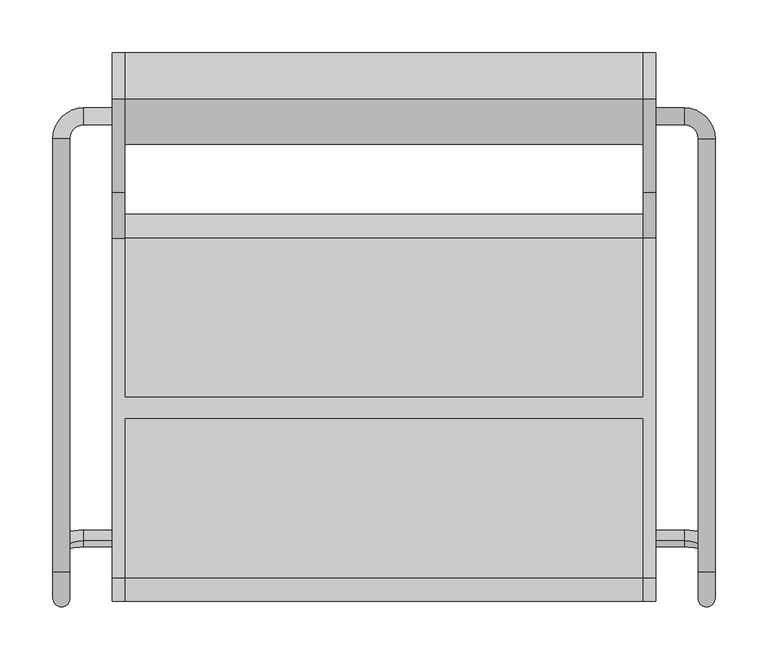
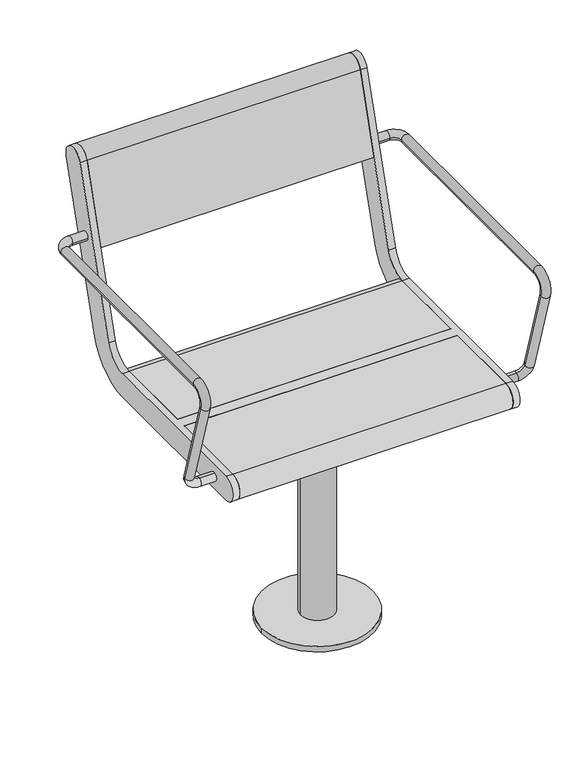
"""IFC4 building model written with IfcOpenShell, lengths in millimetres: furniture geometry."""

from ifc_helpers import new_model, si_unit, point, frame, frame_2d, origin, origin_with_axes, origin_2d, place, context, project, spatial, polyline, circle_curve, ellipse_curve, trimmed, segment, composite_curve, outline, extrude, source, transform, mapped, element, save
from ifc_brep_helpers import plane_surface, cylinder_surface, revolved_surface, advanced_brep


def furniture_26d58b1b(model_context):
    return source(origin(), model_context, "Body", "SolidModel", [
        advanced_brep(
        [(257.0, 267.0, 641.5), (257.0, 283.0, 641.5), (284.0, 267.0, 641.5), (284.0, 283.0, 641.5), (297.0, 254.0, 641.5), (313.0, 254.0, 641.5), (297.0, -155.6408049, 641.5), (313.0, -155.6408049, 641.5), (313.0, -179.5484238, 609.1907074), (297.0, -179.5484238, 609.1907074), (313.0, -130.1398058, 447.5823999), (297.0, -130.1398058, 447.5823999), (257.0, -126.3389736, 435.150438), (257.0, -121.6610264, 419.849562), (284.0, -121.6610264, 419.849562), (284.0, -126.3389736, 435.150438)],
        [
            (0, 1, circle_curve(frame((257.0, 275.0, 641.5), z_axis=(-1.0, 0.0, 0.0), x_axis=(0.0, 1.0, 0.0)), 8.0)),
            (1, 0, circle_curve(frame((257.0, 275.0, 641.5), z_axis=(-1.0, 0.0, 0.0), x_axis=(0.0, 1.0, 0.0)), 8.0)),
            (0, 2),
            (2, 3, circle_curve(frame((284.0, 275.0, 641.5), z_axis=(-1.0, 0.0, 0.0), x_axis=(0.0, 1.0, 0.0)), 8.0)),
            (3, 1),
            (3, 2, circle_curve(frame((284.0, 275.0, 641.5), z_axis=(-1.0, 0.0, 0.0), x_axis=(0.0, 1.0, 0.0)), 8.0)),
            (2, 4, circle_curve(frame((284.0, 254.0, 641.5), z_axis=(0.0, 0.0, -1.0), x_axis=(0.0, 1.0, 0.0)), 13.0)),
            (4, 5, circle_curve(frame((305.0, 254.0, 641.5), z_axis=(0.0, 1.0, 0.0), x_axis=(1.0, 0.0, 0.0)), 8.0)),
            (5, 3, circle_curve(frame((284.0, 254.0, 641.5), z_axis=(0.0, 0.0, 1.0), x_axis=(0.0, 1.0, 0.0)), 29.0)),
            (5, 4, circle_curve(frame((305.0, 254.0, 641.5), z_axis=(0.0, 1.0, 0.0), x_axis=(1.0, 0.0, 0.0)), 8.0)),
            (4, 6),
            (6, 7, circle_curve(frame((305.0, -155.6408049, 641.5), z_axis=(0.0, 1.0, 0.0), x_axis=(1.0, 0.0, 0.0)), 8.0)),
            (7, 5),
            (7, 6, circle_curve(frame((305.0, -155.6408049, 641.5), z_axis=(0.0, 1.0, 0.0), x_axis=(1.0, 0.0, 0.0)), 8.0)),
            (7, 8, circle_curve(frame((313.0, -155.6408049, 616.5), z_axis=(1.0, 0.0, 0.0), x_axis=(0.0, 0.0, 1.0)), 25.0)),
            (8, 9, circle_curve(frame((305.0, -179.5484238, 609.1907074), z_axis=(0.0, -0.2923717047227469, 0.9563047559630324), x_axis=(1.0, 0.0, 0.0)), 8.0)),
            (9, 6, circle_curve(frame((297.0, -155.6408049, 616.5), z_axis=(-1.0, 0.0, 0.0), x_axis=(0.0, 0.0, 1.0)), 25.0)),
            (9, 8, circle_curve(frame((305.0, -179.5484238, 609.1907074), z_axis=(0.0, -0.2923717047227456, 0.9563047559630328), x_axis=(1.0, 0.0, 0.0)), 8.0)),
            (8, 10),
            (10, 11, circle_curve(frame((305.0, -130.1398058, 447.5823999), z_axis=(0.0, -0.2923717047227381, 0.9563047559630351), x_axis=(1.0, 0.0, 0.0)), 8.0)),
            (11, 9),
            (11, 10, circle_curve(frame((305.0, -130.1398058, 447.5823999), z_axis=(0.0, -0.2923717047227381, 0.9563047559630351), x_axis=(1.0, 0.0, 0.0)), 8.0)),
            (12, 13, circle_curve(frame((257.0, -124.0, 427.5), z_axis=(-1.0, 0.0, 0.0), x_axis=(0.0, 0.2923717047227402, -0.9563047559630344)), 8.0)),
            (13, 12, circle_curve(frame((257.0, -124.0, 427.5), z_axis=(-1.0, 0.0, 0.0), x_axis=(0.0, 0.2923717047227402, -0.9563047559630344)), 8.0)),
            (13, 14),
            (14, 15, circle_curve(frame((284.0, -124.0, 427.5), z_axis=(-1.0, 0.0, 0.0), x_axis=(0.0, 0.2923717047227402, -0.9563047559630344)), 8.0)),
            (15, 12),
            (15, 14, circle_curve(frame((284.0, -124.0, 427.5), z_axis=(-1.0, 0.0, 0.0), x_axis=(0.0, 0.2923717047227402, -0.9563047559630344)), 8.0)),
            (14, 10, circle_curve(frame((284.0, -130.1398058, 447.5823999), z_axis=(0.0, -0.9563047559630344, -0.29237170472274027), x_axis=(0.0, 0.29237170472274027, -0.9563047559630344)), 29.0)),
            (11, 15, circle_curve(frame((284.0, -130.1398058, 447.5823999), z_axis=(0.0, 0.9563047559630344, 0.29237170472274027), x_axis=(0.0, 0.29237170472274027, -0.9563047559630344)), 13.0)),
        ],
        [
            plane_surface(frame((257.0, 275.0, 405.0), z_axis=(-1.0, 0.0, 0.0), x_axis=(0.0, 0.0, 1.0))),
            cylinder_surface(frame((257.0, 275.0, 641.5), z_axis=(-1.0, 0.0, 0.0), x_axis=(0.0, 1.0, 0.0)), 8.0),
            revolved_surface(trimmed(ellipse_curve(frame((284.0, 275.0, 641.5), z_axis=(-1.0, 0.0, 0.0), x_axis=(0.0, 1.0, 0.0)), 8.0, 8.0), [point((284.0, 267.0, 641.5))], [point((284.0, 283.0, 641.5))], True, "CARTESIAN"), (284.0, 254.0, 405.0), (0.0, 0.0, -1.0)),
            revolved_surface(trimmed(ellipse_curve(frame((284.0, 275.0, 641.5), z_axis=(-1.0, 0.0, 0.0), x_axis=(0.0, 1.0, 0.0)), 8.0, 8.0), [point((284.0, 283.0, 641.5))], [point((284.0, 267.0, 641.5))], True, "CARTESIAN"), (284.0, 254.0, 405.0), (0.0, 0.0, -1.0)),
            cylinder_surface(frame((305.0, 254.0, 641.5), z_axis=(0.0, 1.0, 0.0), x_axis=(1.0, 0.0, 0.0)), 8.0),
            revolved_surface(trimmed(ellipse_curve(frame((305.0, -155.6408049, 641.5), z_axis=(0.0, 1.0, 0.0), x_axis=(1.0, 0.0, 0.0)), 8.0, 8.0), [point((313.0, -155.6408049, 641.5))], [point((297.0, -155.6408049, 641.5))], True, "CARTESIAN"), (0.0, -155.6408049, 616.5), (1.0, 0.0, 0.0)),
            revolved_surface(trimmed(ellipse_curve(frame((305.0, -155.6408049, 641.5), z_axis=(0.0, 1.0, 0.0), x_axis=(1.0, 0.0, 0.0)), 8.0, 8.0), [point((297.0, -155.6408049, 641.5))], [point((313.0, -155.6408049, 641.5))], True, "CARTESIAN"), (0.0, -155.6408049, 616.5), (1.0, 0.0, 0.0)),
            cylinder_surface(frame((305.0, -179.5484238, 609.1907074), z_axis=(0.0, -0.2923717047227381, 0.9563047559630351), x_axis=(1.0, 0.0, 0.0)), 8.0),
            plane_surface(frame((257.0, 489.469501, 615.0564486), z_axis=(-1.0, 0.0, 0.0), x_axis=(0.0, -0.9563047559630344, -0.29237170472274027))),
            cylinder_surface(frame((257.0, -124.0, 427.5), z_axis=(-1.0, 0.0, 0.0), x_axis=(0.0, 0.2923717047227402, -0.9563047559630344)), 8.0),
            revolved_surface(trimmed(ellipse_curve(frame((284.0, -124.0, 427.5), z_axis=(-1.0, 0.0, 0.0), x_axis=(0.0, 0.2923717047227402, -0.9563047559630344)), 8.0, 8.0), [point((284.0, -121.6610264, 419.849562))], [point((284.0, -126.3389736, 435.150438))], True, "CARTESIAN"), (284.0, 483.3296952, 635.1388485), (0.0, -0.9563047559630344, -0.29237170472274027)),
            revolved_surface(trimmed(ellipse_curve(frame((284.0, -124.0, 427.5), z_axis=(-1.0, 0.0, 0.0), x_axis=(0.0, 0.2923717047227402, -0.9563047559630344)), 8.0, 8.0), [point((284.0, -126.3389736, 435.150438))], [point((284.0, -121.6610264, 419.849562))], True, "CARTESIAN"), (284.0, 483.3296952, 635.1388485), (0.0, -0.9563047559630344, -0.29237170472274027)),
        ],
        [
            (0, [[1, 2]]),
            (1, [[-1, 3, 4, 5]]),
            (1, [[-2, -5, 6, -3]]),
            (2, [[-4, 7, 8, 9]]),
            (3, [[-6, -9, 10, -7]]),
            (4, [[11, 12, 13, -8]]),
            (4, [[-11, -10, -13, 14]]),
            (5, [[-14, 15, 16, 17]]),
            (6, [[-12, -17, 18, -15]]),
            (7, [[-16, 19, 20, 21]]),
            (7, [[-18, -21, 22, -19]]),
            (8, [[23, 24]]),
            (9, [[-24, 25, 26, 27]]),
            (9, [[-23, -27, 28, -25]]),
            (10, [[-26, 29, -22, 30]]),
            (11, [[-28, -30, -20, -29]]),
        ],
    ),
        advanced_brep(
        [(-313.0, 254.0, 641.5), (-313.0, -155.6408049, 641.5), (-297.0, -155.6408049, 641.5), (-297.0, 254.0, 641.5), (-257.0, 267.0, 641.5), (-257.0, 283.0, 641.5), (-284.0, 283.0, 641.5), (-284.0, 267.0, 641.5), (-297.0, -179.5484238, 609.1907074), (-313.0, -179.5484238, 609.1907074), (-297.0, -130.1398058, 447.5823999), (-313.0, -130.1398058, 447.5823999), (-257.0, -126.3389736, 435.150438), (-257.0, -121.6610264, 419.849562), (-284.0, -126.3389736, 435.150438), (-284.0, -121.6610264, 419.849562)],
        [
            (0, 1),
            (1, 2, circle_curve(frame((-305.0, -155.6408049, 641.5), z_axis=(0.0, 1.0, 0.0), x_axis=(-1.0, 0.0, 0.0)), 8.0)),
            (2, 3),
            (3, 0, circle_curve(frame((-305.0, 254.0, 641.5), z_axis=(0.0, -1.0, 0.0), x_axis=(-1.0, 0.0, 0.0)), 8.0)),
            (0, 3, circle_curve(frame((-305.0, 254.0, 641.5), z_axis=(0.0, -1.0, 0.0), x_axis=(-1.0, 0.0, 0.0)), 8.0)),
            (2, 1, circle_curve(frame((-305.0, -155.6408049, 641.5), z_axis=(0.0, 1.0, 0.0), x_axis=(-1.0, 0.0, 0.0)), 8.0)),
            (4, 5, circle_curve(frame((-257.0, 275.0, 641.5), z_axis=(1.0, 0.0, 0.0), x_axis=(0.0, 1.0, 0.0)), 8.0)),
            (5, 4, circle_curve(frame((-257.0, 275.0, 641.5), z_axis=(1.0, 0.0, 0.0), x_axis=(0.0, 1.0, 0.0)), 8.0)),
            (5, 6),
            (6, 7, circle_curve(frame((-284.0, 275.0, 641.5), z_axis=(1.0, 0.0, 0.0), x_axis=(0.0, 1.0, 0.0)), 8.0)),
            (7, 4),
            (7, 6, circle_curve(frame((-284.0, 275.0, 641.5), z_axis=(1.0, 0.0, 0.0), x_axis=(0.0, 1.0, 0.0)), 8.0)),
            (6, 0, circle_curve(frame((-284.0, 254.0, 641.5), z_axis=(0.0, 0.0, 1.0), x_axis=(0.0, 1.0, 0.0)), 29.0)),
            (3, 7, circle_curve(frame((-284.0, 254.0, 641.5), z_axis=(0.0, 0.0, -1.0), x_axis=(0.0, 1.0, 0.0)), 13.0)),
            (2, 8, circle_curve(frame((-297.0, -155.6408049, 616.5), z_axis=(1.0, 0.0, 0.0), x_axis=(0.0, 0.0, 1.0)), 25.0)),
            (8, 9, circle_curve(frame((-305.0, -179.5484238, 609.1907074), z_axis=(0.0, -0.29237170472274643, 0.9563047559630325), x_axis=(-1.0, 0.0, 0.0)), 8.0)),
            (9, 1, circle_curve(frame((-313.0, -155.6408049, 616.5), z_axis=(-1.0, 0.0, 0.0), x_axis=(0.0, 0.0, 1.0)), 25.0)),
            (9, 8, circle_curve(frame((-305.0, -179.5484238, 609.1907074), z_axis=(0.0, -0.29237170472274643, 0.9563047559630325), x_axis=(-1.0, 0.0, 0.0)), 8.0)),
            (8, 10),
            (10, 11, circle_curve(frame((-305.0, -130.1398058, 447.5823999), z_axis=(0.0, -0.2923717047227381, 0.9563047559630351), x_axis=(-1.0, 0.0, 0.0)), 8.0)),
            (11, 9),
            (11, 10, circle_curve(frame((-305.0, -130.1398058, 447.5823999), z_axis=(0.0, -0.2923717047227381, 0.9563047559630351), x_axis=(-1.0, 0.0, 0.0)), 8.0)),
            (12, 13, circle_curve(frame((-257.0, -124.0, 427.5), z_axis=(1.0, 0.0, 0.0), x_axis=(0.0, 0.2923717047227402, -0.9563047559630344)), 8.0)),
            (13, 12, circle_curve(frame((-257.0, -124.0, 427.5), z_axis=(1.0, 0.0, 0.0), x_axis=(0.0, 0.2923717047227402, -0.9563047559630344)), 8.0)),
            (12, 14),
            (14, 15, circle_curve(frame((-284.0, -124.0, 427.5), z_axis=(1.0, 0.0, 0.0), x_axis=(0.0, 0.2923717047227402, -0.9563047559630344)), 8.0)),
            (15, 13),
            (15, 14, circle_curve(frame((-284.0, -124.0, 427.5), z_axis=(1.0, 0.0, 0.0), x_axis=(0.0, 0.2923717047227402, -0.9563047559630344)), 8.0)),
            (14, 10, circle_curve(frame((-284.0, -130.1398058, 447.5823999), z_axis=(0.0, 0.9563047559630344, 0.29237170472274027), x_axis=(0.0, 0.29237170472274027, -0.9563047559630344)), 13.0)),
            (11, 15, circle_curve(frame((-284.0, -130.1398058, 447.5823999), z_axis=(0.0, -0.9563047559630344, -0.29237170472274027), x_axis=(0.0, 0.29237170472274027, -0.9563047559630344)), 29.0)),
        ],
        [
            cylinder_surface(frame((-305.0, 254.0, 641.5), z_axis=(0.0, 1.0, 0.0), x_axis=(-1.0, 0.0, 0.0)), 8.0),
            plane_surface(frame((-257.0, 275.0, 405.0), z_axis=(1.0, 0.0, 0.0), x_axis=(0.0, 0.0, 1.0))),
            cylinder_surface(frame((-257.0, 275.0, 641.5), z_axis=(1.0, 0.0, 0.0), x_axis=(0.0, 1.0, 0.0)), 8.0),
            revolved_surface(trimmed(ellipse_curve(frame((-284.0, 275.0, 641.5), z_axis=(1.0, 0.0, 0.0), x_axis=(0.0, 1.0, 0.0)), 8.0, 8.0), [point((-284.0, 283.0, 641.5))], [point((-284.0, 267.0, 641.5))], True, "CARTESIAN"), (-284.0, 254.0, 405.0), (0.0, 0.0, 1.0)),
            revolved_surface(trimmed(ellipse_curve(frame((-284.0, 275.0, 641.5), z_axis=(1.0, 0.0, 0.0), x_axis=(0.0, 1.0, 0.0)), 8.0, 8.0), [point((-284.0, 267.0, 641.5))], [point((-284.0, 283.0, 641.5))], True, "CARTESIAN"), (-284.0, 254.0, 405.0), (0.0, 0.0, 1.0)),
            revolved_surface(trimmed(ellipse_curve(frame((-305.0, -155.6408049, 641.5), z_axis=(0.0, 1.0, 0.0), x_axis=(-1.0, 0.0, 0.0)), 8.0, 8.0), [point((-297.0, -155.6408049, 641.5))], [point((-313.0, -155.6408049, 641.5))], True, "CARTESIAN"), (0.0, -155.6408049, 616.5), (1.0, 0.0, 0.0)),
            revolved_surface(trimmed(ellipse_curve(frame((-305.0, -155.6408049, 641.5), z_axis=(0.0, 1.0, 0.0), x_axis=(-1.0, 0.0, 0.0)), 8.0, 8.0), [point((-313.0, -155.6408049, 641.5))], [point((-297.0, -155.6408049, 641.5))], True, "CARTESIAN"), (0.0, -155.6408049, 616.5), (1.0, 0.0, 0.0)),
            cylinder_surface(frame((-305.0, -179.5484238, 609.1907074), z_axis=(0.0, -0.2923717047227381, 0.9563047559630351), x_axis=(-1.0, 0.0, 0.0)), 8.0),
            plane_surface(frame((-257.0, 489.469501, 615.0564486), z_axis=(1.0, 0.0, 0.0), x_axis=(0.0, -0.9563047559630344, -0.29237170472274027))),
            cylinder_surface(frame((-257.0, -124.0, 427.5), z_axis=(1.0, 0.0, 0.0), x_axis=(0.0, 0.2923717047227402, -0.9563047559630344)), 8.0),
            revolved_surface(trimmed(ellipse_curve(frame((-284.0, -124.0, 427.5), z_axis=(1.0, 0.0, 0.0), x_axis=(0.0, 0.2923717047227402, -0.9563047559630344)), 8.0, 8.0), [point((-284.0, -126.3389736, 435.150438))], [point((-284.0, -121.6610264, 419.849562))], True, "CARTESIAN"), (-284.0, 483.3296952, 635.1388485), (0.0, 0.9563047559630344, 0.29237170472274027)),
            revolved_surface(trimmed(ellipse_curve(frame((-284.0, -124.0, 427.5), z_axis=(1.0, 0.0, 0.0), x_axis=(0.0, 0.2923717047227402, -0.9563047559630344)), 8.0, 8.0), [point((-284.0, -121.6610264, 419.849562))], [point((-284.0, -126.3389736, 435.150438))], True, "CARTESIAN"), (-284.0, 483.3296952, 635.1388485), (0.0, 0.9563047559630344, 0.29237170472274027)),
        ],
        [
            (0, [[1, 2, 3, 4]]),
            (0, [[-1, 5, -3, 6]]),
            (1, [[7, 8]]),
            (2, [[-8, 9, 10, 11]]),
            (2, [[-7, -11, 12, -9]]),
            (3, [[-10, 13, -4, 14]]),
            (4, [[-12, -14, -5, -13]]),
            (5, [[-6, 15, 16, 17]]),
            (6, [[-2, -17, 18, -15]]),
            (7, [[-16, 19, 20, 21]]),
            (7, [[-18, -21, 22, -19]]),
            (8, [[23, 24]]),
            (9, [[-23, 25, 26, 27]]),
            (9, [[-24, -27, 28, -25]]),
            (10, [[-26, 29, -22, 30]]),
            (11, [[-28, -30, -20, -29]]),
        ],
    ),
        advanced_brep(
        [(-245.0, 291.0375971, 769.6910048), (-245.0, 203.033714, 481.8432733), (-245.0, 160.0, 450.0), (-245.0, 9.5, 450.0), (-245.0, 9.5, 405.0), (-245.0, 160.0, 405.0), (-245.0, 246.067428, 468.6865466), (-245.0, 334.0713112, 756.5342781), (-245.0, -161.0, 450.0), (-245.0, -161.0, 405.0), (-245.0, -10.5, 405.0), (-245.0, -10.5, 450.0), (-257.0, 291.0375971, 769.6910048), (-257.0, 334.0713112, 756.5342781), (-257.0, 246.067428, 468.6865466), (-257.0, 160.0, 405.0), (-257.0, -161.0, 405.0), (-257.0, -161.0, 450.0), (-257.0, 160.0, 450.0), (-257.0, 203.033714, 481.8432733), (245.0, -10.5, 450.0), (245.0, -161.0, 450.0), (257.0, -161.0, 450.0), (257.0, 160.0, 450.0), (245.0, 160.0, 450.0), (245.0, 9.5, 450.0), (245.0, 9.5, 405.0), (245.0, 160.0, 405.0), (257.0, 160.0, 405.0), (257.0, -161.0, 405.0), (245.0, -161.0, 405.0), (245.0, -10.5, 405.0), (257.0, 291.0375971, 769.6910048), (257.0, 203.033714, 481.8432733), (257.0, 246.067428, 468.6865466), (257.0, 334.0713112, 756.5342781), (245.0, 291.0375971, 769.6910048), (245.0, 334.0713112, 756.5342781), (245.0, 246.067428, 468.6865466), (245.0, 203.033714, 481.8432733)],
        [
            (0, 1),
            (1, 2, circle_curve(frame((-245.0, 160.0, 495.0), z_axis=(-1.0, 0.0, 0.0), x_axis=(0.0, -1.0, 0.0)), 45.0)),
            (2, 3),
            (3, 4),
            (4, 5),
            (5, 6, circle_curve(frame((-245.0, 160.0, 495.0), z_axis=(1.0, 0.0, 0.0), x_axis=(0.0, -1.0, 0.0)), 90.0)),
            (6, 7),
            (7, 0, circle_curve(frame((-245.0, 312.5544541, 763.1126415), z_axis=(1.0, 0.0, 0.0), x_axis=(0.0, -1.0, 0.0)), 22.5)),
            (8, 9, circle_curve(frame((-245.0, -161.0, 427.5), z_axis=(1.0, 0.0, 0.0), x_axis=(0.0, -1.0, 0.0)), 22.5)),
            (9, 10),
            (10, 11),
            (11, 8),
            (12, 13, circle_curve(frame((-257.0, 312.5544541, 763.1126415), z_axis=(-1.0, 0.0, 0.0), x_axis=(0.0, -1.0, 0.0)), 22.5)),
            (13, 14),
            (14, 15, circle_curve(frame((-257.0, 160.0, 495.0), z_axis=(-1.0, 0.0, 0.0), x_axis=(0.0, -1.0, 0.0)), 90.0)),
            (15, 16),
            (16, 17, circle_curve(frame((-257.0, -161.0, 427.5), z_axis=(-1.0, 0.0, 0.0), x_axis=(0.0, -1.0, 0.0)), 22.5)),
            (17, 18),
            (18, 19, circle_curve(frame((-257.0, 160.0, 495.0), z_axis=(1.0, 0.0, 0.0), x_axis=(0.0, -1.0, 0.0)), 45.0)),
            (19, 12),
            (0, 12),
            (19, 1),
            (18, 2),
            (17, 8),
            (11, 20),
            (20, 21),
            (21, 22),
            (22, 23),
            (23, 24),
            (24, 25),
            (25, 3),
            (15, 5),
            (4, 26),
            (26, 27),
            (27, 28),
            (28, 29),
            (29, 30),
            (30, 31),
            (31, 10),
            (9, 16),
            (14, 6),
            (13, 7),
            (31, 20),
            (25, 26),
            (32, 33),
            (33, 23, circle_curve(frame((257.0, 160.0, 495.0), z_axis=(-1.0, 0.0, 0.0), x_axis=(0.0, -1.0, 0.0)), 45.0)),
            (22, 29, circle_curve(frame((257.0, -161.0, 427.5), z_axis=(1.0, 0.0, 0.0), x_axis=(0.0, -1.0, 0.0)), 22.5)),
            (28, 34, circle_curve(frame((257.0, 160.0, 495.0), z_axis=(1.0, 0.0, 0.0), x_axis=(0.0, -1.0, 0.0)), 90.0)),
            (34, 35),
            (35, 32, circle_curve(frame((257.0, 312.5544541, 763.1126415), z_axis=(1.0, 0.0, 0.0), x_axis=(0.0, -1.0, 0.0)), 22.5)),
            (36, 37, circle_curve(frame((245.0, 312.5544541, 763.1126415), z_axis=(-1.0, 0.0, 0.0), x_axis=(0.0, -1.0, 0.0)), 22.5)),
            (37, 38),
            (38, 27, circle_curve(frame((245.0, 160.0, 495.0), z_axis=(-1.0, 0.0, 0.0), x_axis=(0.0, -1.0, 0.0)), 90.0)),
            (24, 39, circle_curve(frame((245.0, 160.0, 495.0), z_axis=(1.0, 0.0, 0.0), x_axis=(0.0, -1.0, 0.0)), 45.0)),
            (39, 36),
            (30, 21, circle_curve(frame((245.0, -161.0, 427.5), z_axis=(-1.0, 0.0, 0.0), x_axis=(0.0, -1.0, 0.0)), 22.5)),
            (32, 36),
            (39, 33),
            (38, 34),
            (37, 35),
        ],
        [
            plane_surface(frame((-245.0, 203.033714, 481.8432733), z_axis=(1.0000000000000002, 0.0, 0.0), x_axis=(0.0, -0.29237170472273394, -0.9563047559630364))),
            plane_surface(frame((-257.0, 203.033714, 481.8432733), z_axis=(-1.0000000000000002, 0.0, 0.0), x_axis=(0.0, 0.29237170472273394, 0.9563047559630364))),
            plane_surface(frame((-245.0, 291.0375971, 769.6910048), z_axis=(0.0, -0.9563047559630364, 0.29237170472273394), x_axis=(-1.0, 0.0, 0.0))),
            revolved_surface(polyline([(-257.0, 115.0, 495.0), (-245.0, 115.0, 495.0)]), (-257.0, 160.0, 495.0), (-1.0, 0.0, 0.0)),
            plane_surface(frame((-245.0, 160.0, 450.0), z_axis=(0.0, 0.0, 1.0), x_axis=(-1.0, 0.0, 0.0))),
            plane_surface(frame((-245.0, -161.0, 405.0), z_axis=(0.0, 0.0, -1.0), x_axis=(-1.0, 0.0, 0.0))),
            cylinder_surface(frame((-257.0, 160.0, 495.0), z_axis=(1.0, 0.0, 0.0), x_axis=(0.0, -1.0, 0.0)), 90.0),
            plane_surface(frame((-245.0, 246.067428, 468.6865466), z_axis=(0.0, 0.9563047559630364, -0.29237170472273366), x_axis=(-1.0, 0.0, 0.0))),
            cylinder_surface(frame((-257.0, 312.5544541, 763.1126415), z_axis=(1.0, 0.0, 0.0), x_axis=(0.0, -1.0, 0.0)), 22.5),
            cylinder_surface(frame((-257.0, -161.0, 427.5), z_axis=(1.0, 0.0, 0.0), x_axis=(0.0, -1.0, 0.0)), 22.5),
            plane_surface(frame((245.0, -10.5, 450.0), z_axis=(0.0, -1.0, 0.0), x_axis=(-1.0, 0.0, 0.0))),
            plane_surface(frame((245.0, 9.5, 405.0), z_axis=(0.0, 1.0, 0.0), x_axis=(-1.0, 0.0, 0.0))),
            plane_surface(frame((257.0, 203.033714, 481.8432733), z_axis=(1.0000000000000002, 0.0, 0.0), x_axis=(0.0, -0.29237170472273394, -0.9563047559630364))),
            plane_surface(frame((245.0, 203.033714, 481.8432733), z_axis=(-1.0000000000000002, 0.0, 0.0), x_axis=(0.0, 0.29237170472273394, 0.9563047559630364))),
            plane_surface(frame((257.0, 291.0375971, 769.6910048), z_axis=(0.0, -0.9563047559630364, 0.29237170472273394), x_axis=(-1.0, 0.0, 0.0))),
            revolved_surface(polyline([(245.0, 115.0, 495.0), (257.0, 115.0, 495.0)]), (245.0, 160.0, 495.0), (-1.0, 0.0, 0.0)),
            cylinder_surface(frame((245.0, 160.0, 495.0), z_axis=(1.0, 0.0, 0.0), x_axis=(0.0, -1.0, 0.0)), 90.0),
            plane_surface(frame((257.0, 246.067428, 468.6865466), z_axis=(0.0, 0.9563047559630364, -0.29237170472273366), x_axis=(-1.0, 0.0, 0.0))),
            cylinder_surface(frame((245.0, 312.5544541, 763.1126415), z_axis=(1.0, 0.0, 0.0), x_axis=(0.0, -1.0, 0.0)), 22.5),
            cylinder_surface(frame((245.0, -161.0, 427.5), z_axis=(1.0, 0.0, 0.0), x_axis=(0.0, -1.0, 0.0)), 22.5),
        ],
        [
            (0, [[1, 2, 3, 4, 5, 6, 7, 8]]),
            (0, [[9, 10, 11, 12]]),
            (1, [[13, 14, 15, 16, 17, 18, 19, 20]]),
            (2, [[-1, 21, -20, 22]]),
            (3, [[-2, -22, -19, 23]]),
            (4, [[-18, 24, -12, 25, 26, 27, 28, 29, 30, 31, -3, -23]]),
            (5, [[-16, 32, -5, 33, 34, 35, 36, 37, 38, 39, -10, 40]]),
            (6, [[-6, -32, -15, 41]]),
            (7, [[-7, -41, -14, 42]]),
            (8, [[-8, -42, -13, -21]]),
            (9, [[-9, -24, -17, -40]]),
            (10, [[-25, -11, -39, 43]]),
            (11, [[-31, 44, -33, -4]]),
            (12, [[45, 46, -28, 47, -36, 48, 49, 50]]),
            (13, [[51, 52, 53, -34, -44, -30, 54, 55]]),
            (13, [[56, -26, -43, -38]]),
            (14, [[-45, 57, -55, 58]]),
            (15, [[-46, -58, -54, -29]]),
            (16, [[-48, -35, -53, 59]]),
            (17, [[-49, -59, -52, 60]]),
            (18, [[-50, -60, -51, -57]]),
            (19, [[-47, -27, -56, -37]]),
        ],
    ),
        extrude(outline(composite_curve([segment(trimmed(circle_curve(frame_2d((312.5544541, 763.1126415)), 22.5), [point((291.0375971, 769.6910048))], [point((334.0713112, 756.5342781))], False, "CARTESIAN"), True, "CONTINUOUS"), segment(polyline([(334.0713112, 756.5342781), (291.5312281, 617.3919361), (248.4975141, 630.5486628), (291.0375971, 769.6910048)]), True, "CONTINUOUS")], self_intersect=False)), frame((-245.0, 0.0, 0.0), z_axis=(1.0, 0.0, 0.0), x_axis=(0.0, 1.0, 0.0)), (0.0, 0.0, 1.0), 490.0),
        extrude(outline(composite_curve([segment(polyline([(9.5, 405.0), (9.5, 450.0), (160.0, 450.0)]), True, "CONTINUOUS"), segment(trimmed(circle_curve(frame_2d((160.0, 427.5)), 22.5), [point((160.0, 450.0))], [point((160.0, 405.0))], False, "CARTESIAN"), True, "CONTINUOUS"), segment(polyline([(160.0, 405.0), (9.5, 405.0)]), True, "CONTINUOUS")], self_intersect=False)), frame((-245.0, 0.0, 0.0), z_axis=(1.0, 0.0, 0.0), x_axis=(0.0, 1.0, 0.0)), (0.0, 0.0, 1.0), 490.0),
        extrude(outline(composite_curve([segment(polyline([(-10.5, 405.0), (-161.0, 405.0)]), True, "CONTINUOUS"), segment(trimmed(circle_curve(frame_2d((-161.0, 427.5)), 22.5), [point((-161.0, 405.0))], [point((-161.0, 450.0))], False, "CARTESIAN"), True, "CONTINUOUS"), segment(polyline([(-161.0, 450.0), (-10.5, 450.0), (-10.5, 405.0)]), True, "CONTINUOUS")], self_intersect=False)), frame((-245.0, 0.0, 0.0), z_axis=(1.0, 0.0, 0.0), x_axis=(0.0, 1.0, 0.0)), (0.0, 0.0, 1.0), 490.0),
        extrude(outline(composite_curve([segment(trimmed(circle_curve(origin_2d(), 100.0), [point((-100.0, 0.0))], [point((100.0, 0.0))], False, "CARTESIAN"), True, "CONTINUOUS"), segment(trimmed(circle_curve(origin_2d(), 100.0), [point((100.0, 0.0))], [point((-100.0, 0.0))], False, "CARTESIAN"), True, "CONTINUOUS")], self_intersect=False)), origin_with_axes(), (0.0, 0.0, 1.0), 10.0),
        extrude(outline(composite_curve([segment(trimmed(circle_curve(origin_2d(), 30.0), [point((-30.0, 0.0))], [point((30.0, 0.0))], False, "CARTESIAN"), True, "CONTINUOUS"), segment(trimmed(circle_curve(origin_2d(), 30.0), [point((30.0, 0.0))], [point((-30.0, 0.0))], False, "CARTESIAN"), True, "CONTINUOUS")], self_intersect=False)), frame((0.0, 0.0, 10.0), z_axis=(0.0, 0.0, 1.0), x_axis=(1.0, 0.0, 0.0)), (0.0, 0.0, 1.0), 379.0),
        extrude(outline(polyline([(75.0, 125.0), (75.0, -125.0), (-75.0, -125.0), (-75.0, 125.0), (75.0, 125.0)])), frame((0.0, 0.0, 389.0), z_axis=(0.0, 0.0, 1.0), x_axis=(1.0, 0.0, 0.0)), (0.0, 0.0, 1.0), 16.0),
    ])


if __name__ == "__main__":
    model = new_model("IFC4")
    model_context = context("Model", 3, world=origin())
    ifc_project = project(units=[si_unit("LENGTHUNIT", "METRE", prefix="MILLI")], contexts=[model_context])
    site = spatial("IfcSite", under=ifc_project)
    building = spatial("IfcBuilding", under=site)
    placement = place(None, origin())
    furniture_shape = furniture_26d58b1b(model_context)
    element("IfcFurniture", 1, at=placement, inside=building, context=model_context, shape_type="MappedRepresentation", body=[
        mapped(furniture_shape, transform((0.0, 0.0, 0.0), x_axis=(1.0, 0.0, 0.0), y_axis=(0.0, 1.0, 0.0), z_axis=(0.0, 0.0, 1.0))),
    ])
    save(model, "model.ifc")
